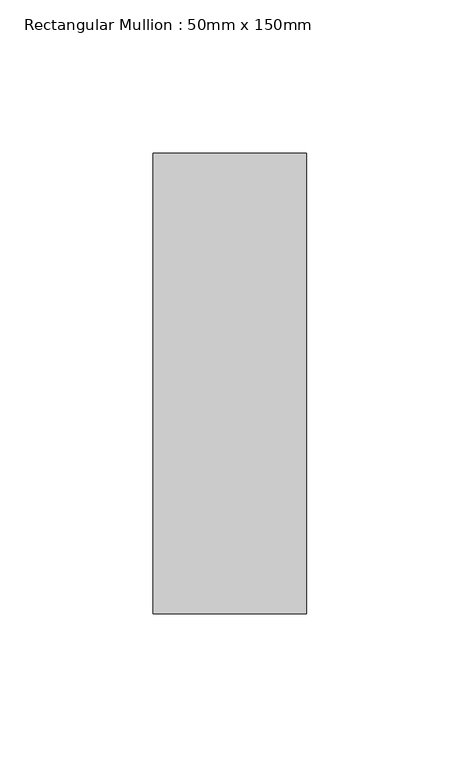
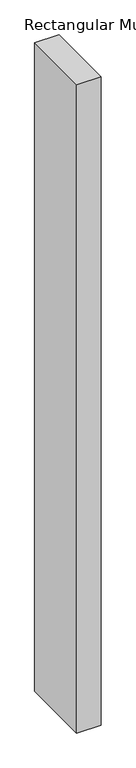
"""IFC4 building model written with IfcOpenShell, lengths in millimetres: member geometry, Rectangular Mullion : 50mm x 150mm."""

import ifcopenshell
import ifcopenshell.guid

model = None  # the IFC model being written
_history = None  # IfcOwnerHistory: only IFC2X3 demands one
_inside = {}  # id of a spatial element -> (the spatial element, [elements in it])
_under = {}  # id of a project, library or spatial element -> (it, [spatial elements below it])
_declared = {}  # id of a project -> (the project, [libraries it declares])
_typed = {}  # id of a type object -> (the type object, [elements of that type])
_made_of = {}  # id of a material, layer set ... -> (it, [elements and type objects made of it])


def new_model(schema):
    """Start an empty IFC model of exactly this schema.

    Asked for "IFC4X3", IfcOpenShell would pick the latest addendum, in which some entities
    have other attributes; the version numbers below select the first issue.
    IFC2X3 requires an IfcOwnerHistory on every rooted entity: one is made here for all.
    """
    global model, _history
    if schema == "IFC4X3":
        model = ifcopenshell.file(schema_version=(4, 3, 0, 0))
    else:
        model = ifcopenshell.file(schema=schema)
    _inside.clear()
    _under.clear()
    _declared.clear()
    _typed.clear()
    _made_of.clear()
    _history = None
    if model.schema == "IFC2X3":
        org = make("IfcOrganization", Name="unknown")
        user = make(
            "IfcPersonAndOrganization",
            ThePerson=make("IfcPerson", FamilyName="unknown"),
            TheOrganization=org,
        )
        app = make(
            "IfcApplication",
            ApplicationDeveloper=org,
            Version="unknown",
            ApplicationFullName="unknown",
            ApplicationIdentifier="unknown",
        )
        _history = make(
            "IfcOwnerHistory",
            OwningUser=user,
            OwningApplication=app,
            ChangeAction="ADDED",
            CreationDate=0,
        )
    return model


def make(cls, **values):
    """One entity of the class cls with the attributes given. An attribute that is None is left unset."""
    return model.create_entity(
        cls, **{name: value for name, value in values.items() if value is not None}
    )


def rooted(cls, **values):
    """An entity with a GlobalId (a new one), such as an element, a storey or a relation."""
    return make(cls, GlobalId=ifcopenshell.guid.new(), OwnerHistory=_history, **values)


def si_unit(unit_type, name, prefix=None):
    """IfcSIUnit, for example si_unit("LENGTHUNIT", "METRE", prefix="MILLI")."""
    return make("IfcSIUnit", UnitType=unit_type, Prefix=prefix, Name=name)


def assignment(units):
    """IfcUnitAssignment: the units of a project."""
    return None if units is None else make("IfcUnitAssignment", Units=units)


def point(xyz):
    """IfcCartesianPoint."""
    return None if xyz is None else make("IfcCartesianPoint", Coordinates=xyz)


def direction(xyz):
    """IfcDirection."""
    return None if xyz is None else make("IfcDirection", DirectionRatios=xyz)


def frame(location, z_axis=None, x_axis=None):
    """IfcAxis2Placement3D, a coordinate frame: its origin and axes. An axis left out is left unset."""
    return make(
        "IfcAxis2Placement3D",
        Location=point(location),
        Axis=direction(z_axis),
        RefDirection=direction(x_axis),
    )


def origin():
    """The frame at (0, 0, 0) with its axes left unset."""
    return frame((0.0, 0.0, 0.0))


def place(relative_to, where):
    """IfcLocalPlacement: puts the frame where relative to a parent placement (None: the world)."""
    return make(
        "IfcLocalPlacement", PlacementRelTo=relative_to, RelativePlacement=where
    )


def context(
    kind, dimensions, precision=None, world=None, true_north=None, identifier=None
):
    """IfcGeometricRepresentationContext, for example the 3D "Model" context."""
    return make(
        "IfcGeometricRepresentationContext",
        ContextIdentifier=identifier,
        ContextType=kind,
        CoordinateSpaceDimension=dimensions,
        Precision=precision,
        WorldCoordinateSystem=world,
        TrueNorth=true_north,
    )


def project(units=None, contexts=None):
    """IfcProject with its units and contexts."""
    return rooted(
        "IfcProject",
        Name="project",
        RepresentationContexts=contexts,
        UnitsInContext=assignment(units),
    )


def spatial(cls, under=None, at=None, **own):
    """A site, building, storey or space (cls), placed at a placement, below another one or the project."""
    s = rooted(cls, ObjectPlacement=at, **own)
    if under is not None:
        _under.setdefault(under.id(), (under, []))[1].append(s)
    return s


def polyline(points):
    """IfcPolyline through the points."""
    return make("IfcPolyline", Points=[point(p) for p in points])


def outline(outer, holes=None, kind="AREA"):
    """IfcArbitraryClosedProfileDef: a profile drawn as a closed curve; with holes, ...WithVoids."""
    if holes is None:
        return make("IfcArbitraryClosedProfileDef", ProfileType=kind, OuterCurve=outer)
    return make(
        "IfcArbitraryProfileDefWithVoids",
        ProfileType=kind,
        OuterCurve=outer,
        InnerCurves=holes,
    )


def extrude(swept, where, along, depth):
    """IfcExtrudedAreaSolid: the profile swept, set in the frame where, extruded along a direction by depth."""
    return make(
        "IfcExtrudedAreaSolid",
        SweptArea=swept,
        Position=where,
        ExtrudedDirection=direction(along),
        Depth=depth,
    )


def shape(context_of_items, identifier, shape_type, items):
    """IfcShapeRepresentation: the items that make up one representation, for example the "Body"."""
    return make(
        "IfcShapeRepresentation",
        ContextOfItems=context_of_items,
        RepresentationIdentifier=identifier,
        RepresentationType=shape_type,
        Items=items,
    )


def source(mapping_origin, context_of_items, identifier, shape_type, items):
    """IfcRepresentationMap: a shape defined once, which mapped items show again and again."""
    return make(
        "IfcRepresentationMap",
        MappingOrigin=mapping_origin,
        MappedRepresentation=shape(context_of_items, identifier, shape_type, items),
    )


def transform(
    local_origin,
    x_axis=None,
    y_axis=None,
    z_axis=None,
    scale=None,
    scale2=None,
    scale3=None,
    uniform=True,
):
    """IfcCartesianTransformationOperator3D, or its non-uniform kind. x_axis, y_axis, z_axis: its Axis1, 2, 3."""
    if uniform:
        return make(
            "IfcCartesianTransformationOperator3D",
            Axis1=direction(x_axis),
            Axis2=direction(y_axis),
            LocalOrigin=point(local_origin),
            Scale=scale,
            Axis3=direction(z_axis),
        )
    return make(
        "IfcCartesianTransformationOperator3DnonUniform",
        Axis1=direction(x_axis),
        Axis2=direction(y_axis),
        LocalOrigin=point(local_origin),
        Scale=scale,
        Axis3=direction(z_axis),
        Scale2=scale2,
        Scale3=scale3,
    )


def mapped(mapping_source, mapping_target):
    """IfcMappedItem: shows the shape of a source again, moved by a transform."""
    return make(
        "IfcMappedItem", MappingSource=mapping_source, MappingTarget=mapping_target
    )


def made_of(thing, what):
    """Note that an element or type object is made of a material, layer set ...; save() writes the relation."""
    if what is not None:
        _made_of.setdefault(what.id(), (what, []))[1].append(thing)
    return thing


def element(
    cls,
    number,
    at=None,
    inside=None,
    cuts=None,
    type_object=None,
    material=None,
    context=None,
    identifier="Body",
    shape_type=None,
    held_by="IfcProductDefinitionShape",
    body=None,
    shapes=None,
    **own,
):
    """One element of the class cls, such as IfcWall. Its Tag is "e" and its number.

    at: its placement. inside: the storey or other place that contains it. cuts: it is an
    opening in that element (IfcRelVoidsElement). A single representation is given by context,
    identifier, shape_type and body (its items); several are given by shapes. held_by: the class
    of the entity that holds the representations. save() writes the other relations.
    """
    e = rooted(cls, Tag="e%d" % number, ObjectPlacement=at, **own)
    if body is not None:
        shapes = [shape(context, identifier, shape_type, body)]
    if shapes is not None:
        e.Representation = make(held_by, Representations=shapes)
    if inside is not None:
        _inside.setdefault(inside.id(), (inside, []))[1].append(e)
    if cuts is not None:
        rooted(
            "IfcRelVoidsElement", RelatingBuildingElement=cuts, RelatedOpeningElement=e
        )
    if type_object is not None:
        _typed.setdefault(type_object.id(), (type_object, []))[1].append(e)
    return made_of(e, material)


def aggregate(whole, parts):
    """IfcRelAggregates: a whole, such as a stair, and the parts it consists of."""
    return rooted("IfcRelAggregates", RelatingObject=whole, RelatedObjects=parts)


def save(model, path):
    """Write the relations noted so far, then the file.

    IfcRelAggregates (storeys below a building ...), IfcRelContainedInSpatialStructure (elements
    in a storey), IfcRelDefinesByType, IfcRelAssociatesMaterial and IfcRelDeclares: one each for
    every whole, place, type object, material and project.
    """
    for whole, parts in _under.values():
        aggregate(whole, parts)
    for where, things in _inside.values():
        rooted(
            "IfcRelContainedInSpatialStructure",
            RelatedElements=things,
            RelatingStructure=where,
        )
    for kind, things in _typed.values():
        rooted("IfcRelDefinesByType", RelatedObjects=things, RelatingType=kind)
    for what, things in _made_of.values():
        rooted("IfcRelAssociatesMaterial", RelatedObjects=things, RelatingMaterial=what)
    for by, libraries in _declared.values():
        rooted("IfcRelDeclares", RelatingContext=by, RelatedDefinitions=libraries)
    model.write(path)


def rectangular_mullion_50mm_x_150mm_6860c4d7(model_context):
    return source(origin(), model_context, "Body", "SweptSolid", [
        extrude(outline(polyline([(0.0, 75.0), (0.0, -75.0), (-50.0, -75.0), (-50.0, 75.0), (0.0, 75.0)])), frame((0.0, 0.0, -1410.7142859), z_axis=(0.0, 0.0, 1.0), x_axis=(1.0, 0.0, 0.0)), (0.0, 0.0, 1.0), 1410.7142859),
    ])


if __name__ == "__main__":
    model = new_model("IFC4")
    model_context = context("Model", 3, world=origin())
    ifc_project = project(units=[si_unit("LENGTHUNIT", "METRE", prefix="MILLI")], contexts=[model_context])
    site = spatial("IfcSite", under=ifc_project)
    building = spatial("IfcBuilding", under=site)
    placement = place(None, origin())
    rectangular_mullion_50mm_x_150mm_shape = rectangular_mullion_50mm_x_150mm_6860c4d7(model_context)
    element("IfcMember", 1, ObjectType="Rectangular Mullion : 50mm x 150mm", at=placement, inside=building, context=model_context, shape_type="MappedRepresentation", body=[
        mapped(rectangular_mullion_50mm_x_150mm_shape, transform((0.0, 0.0, 0.0), x_axis=(1.0, 0.0, 0.0), y_axis=(0.0, 1.0, 0.0), z_axis=(0.0, 0.0, 1.0))),
    ])
    save(model, "model.ifc")
